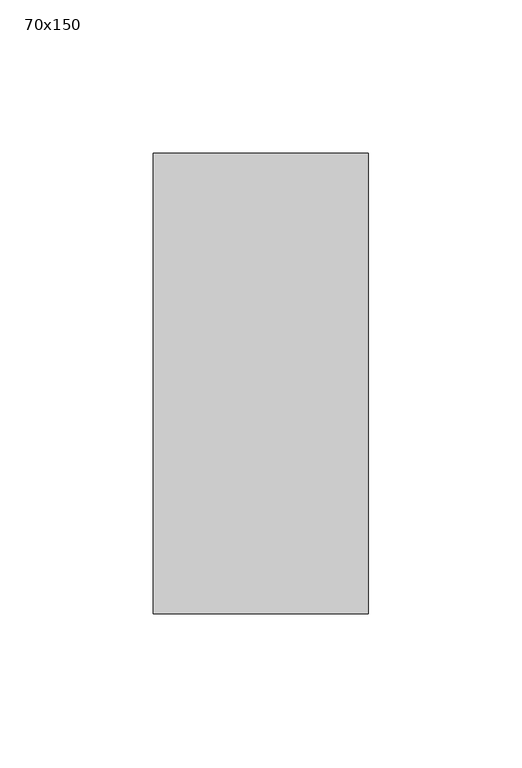
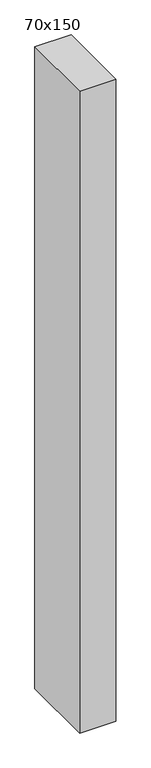
"""IFC4 building model written with IfcOpenShell, lengths in millimetres: member geometry, 70x150."""

from ifc_helpers import new_model, si_unit, frame, origin, place, context, project, spatial, polyline, outline, extrude, source, transform, mapped, element, save


def member_70x150_2dda56ea(model_context):
    return source(origin(), model_context, "Body", "SweptSolid", [
        extrude(outline(polyline([(0.0, 75.0), (0.0, -75.0), (-70.0, -75.0), (-70.0, 75.0), (0.0, 75.0)])), frame((0.0, 0.0, -1313.75), z_axis=(0.0, 0.0, 1.0), x_axis=(1.0, 0.0, 0.0)), (0.0, 0.0, 1.0), 1313.75),
    ])


if __name__ == "__main__":
    model = new_model("IFC4")
    model_context = context("Model", 3, world=origin())
    ifc_project = project(units=[si_unit("LENGTHUNIT", "METRE", prefix="MILLI")], contexts=[model_context])
    site = spatial("IfcSite", under=ifc_project)
    building = spatial("IfcBuilding", under=site)
    placement = place(None, origin())
    member_70x150_shape = member_70x150_2dda56ea(model_context)
    element("IfcMember", 1, ObjectType="70x150", at=placement, inside=building, context=model_context, shape_type="MappedRepresentation", body=[
        mapped(member_70x150_shape, transform((0.0, 0.0, 0.0), x_axis=(1.0, 0.0, 0.0), y_axis=(0.0, 1.0, 0.0), z_axis=(0.0, 0.0, 1.0))),
    ])
    save(model, "model.ifc")
